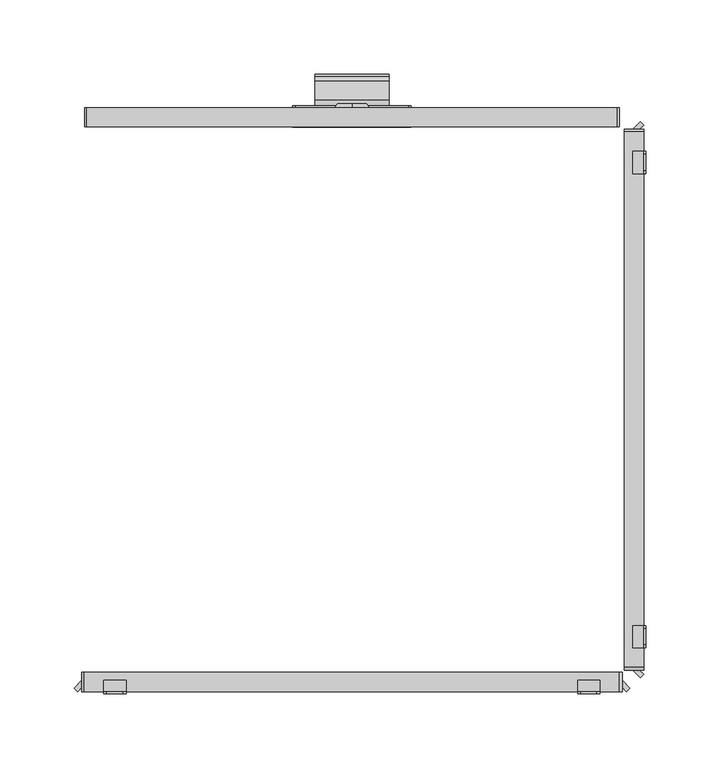
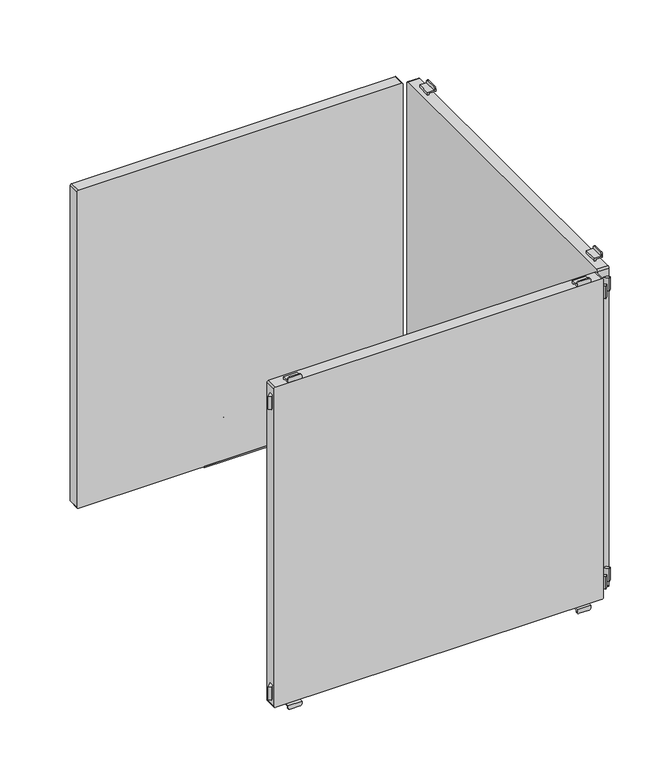
"""IFC4 building model written with IfcOpenShell, lengths in millimetres: furniture geometry."""

from ifc_helpers import new_model, si_unit, point, frame, frame_2d, origin, place, context, project, spatial, polyline, circle_curve, trimmed, segment, composite_curve, outline, extrude, source, transform, mapped, element, save
from ifc_brep_helpers import plane_surface, cylinder_surface, revolved_surface, advanced_brep


def furniture_5d2fb851(model_context):
    return source(origin(), model_context, "Body", "SolidModel", [
        extrude(outline(composite_curve([segment(trimmed(circle_curve(frame_2d((202.226909, 486.4886922)), 43.9399623), [point((202.226909, 530.4286545))], [point((215.0082179, 528.5286545))], False, "CARTESIAN"), True, "CONTINUOUS"), segment(trimmed(circle_curve(frame_2d((212.0259096, 518.7193203)), 10.252668), [point((215.0082179, 528.5286545))], [point((218.0910053, 526.9856263))], False, "CARTESIAN"), True, "CONTINUOUS"), segment(trimmed(circle_curve(frame_2d((215.7726745, 523.8259018)), 3.9189943), [point((218.0910053, 526.9856263))], [point((213.1407662, 520.9221843))], False, "CARTESIAN"), True, "CONTINUOUS"), segment(trimmed(circle_curve(frame_2d((202.2269079, 508.8812021)), 16.2510786), [point((213.1407662, 520.9221843))], [point((202.2269079, 525.1322806))], True, "CARTESIAN"), True, "CONTINUOUS"), segment(polyline([(202.2269079, 525.1322806), (198.5, 525.1322806), (198.5, 527.0322806), (202.2269079, 527.0322806)]), True, "CONTINUOUS"), segment(trimmed(circle_curve(frame_2d((202.2269079, 508.8812021)), 18.1510786), [point((202.2269079, 527.0322806))], [point((214.4167634, 522.3299595))], False, "CARTESIAN"), True, "CONTINUOUS"), segment(trimmed(circle_curve(frame_2d((215.7726745, 523.8259018)), 2.0189943), [point((214.4167634, 522.3299595))], [point((216.9670362, 525.4537341))], True, "CARTESIAN"), True, "CONTINUOUS"), segment(trimmed(circle_curve(frame_2d((212.0259096, 518.7193203)), 8.352668), [point((216.9670362, 525.4537341))], [point((214.4555436, 526.710812))], True, "CARTESIAN"), True, "CONTINUOUS"), segment(trimmed(circle_curve(frame_2d((202.226909, 486.4886922)), 42.0399623), [point((214.4555436, 526.710812))], [point((202.226909, 528.5286545))], True, "CARTESIAN"), True, "CONTINUOUS"), segment(polyline([(202.226909, 528.5286545), (198.5, 528.5286545), (198.5, 530.4286545), (202.226909, 530.4286545)]), True, "CONTINUOUS")], self_intersect=False)), frame((-25.0, 0.0, 0.0), z_axis=(1.0, 0.0, 0.0), x_axis=(0.0, 1.0, 0.0)), (0.0, 0.0, 1.0), 50.0),
        advanced_brep(
        [(0.0, 199.7, 556.6837841), (0.0, 199.7, 546.740973), (0.0, 199.7, 566.6265951), (0.0, 197.0, 544.8059292), (0.0, 197.0, 556.6837841), (0.0, 197.0, 568.5616389)],
        [
            (0, 1),
            (1, 2, circle_curve(frame((0.0, 199.7, 556.6837841), z_axis=(0.0, 1.0, 0.0), x_axis=(0.0, 0.0, 1.0)), 9.9428111)),
            (2, 0),
            (2, 1, circle_curve(frame((0.0, 199.7, 556.6837841), z_axis=(0.0, 1.0, 0.0), x_axis=(0.0, 0.0, 1.0)), 9.9428111)),
            (3, 4),
            (4, 5),
            (5, 3, circle_curve(frame((0.0, 197.0, 556.6837841), z_axis=(0.0, -1.0, 0.0), x_axis=(0.0, 0.0, 1.0)), 11.8778548)),
            (3, 5, circle_curve(frame((0.0, 197.0, 556.6837841), z_axis=(0.0, -1.0, 0.0), x_axis=(0.0, 0.0, 1.0)), 11.8778548)),
            (1, 3),
            (5, 2),
        ],
        [
            plane_surface(frame((0.0, 199.7, 556.6837841), z_axis=(0.0, 1.0, 0.0), x_axis=(0.0, 0.0, 1.0))),
            plane_surface(frame((0.0, 197.0, 556.6837841), z_axis=(0.0, -1.0, 0.0), x_axis=(0.0, 0.0, 1.0))),
            revolved_surface(polyline([(0.0, 197.0, 568.5616389), (0.0, 199.7, 566.6265951)]), (0.0, 202.2563621, 556.6837841), (0.0, 1.0, 0.0)),
        ],
        [
            (0, [[1, 2, 3]]),
            (0, [[-3, 4, -1]]),
            (1, [[5, 6, 7]]),
            (1, [[-6, -5, 8]]),
            (2, [[9, -7, 10, -2]]),
            (2, [[-10, -8, -9, -4]]),
        ],
    ),
        advanced_brep(
        [(38.2, 198.5, 535.0), (40.0, 198.5, 533.2), (40.0, 198.5, 522.0), (-40.0, 198.5, 522.0), (-40.0, 198.5, 533.2), (-38.2, 198.5, 535.0), (38.2, 197.0, 535.0), (-38.2, 197.0, 535.0), (-40.0, 197.0, 533.2), (-40.0, 197.0, 521.5), (40.0, 197.0, 521.5), (40.0, 197.0, 533.2), (-40.0, 196.5, 520.0), (-40.0, 184.0, 520.0), (-40.0, 184.0, 521.5), (40.0, 184.0, 521.5), (40.0, 184.0, 520.0), (40.0, 196.5, 520.0)],
        [
            (0, 1, circle_curve(frame((38.2, 198.5, 533.2), z_axis=(0.0, 1.0, 0.0), x_axis=(1.0, 0.0, 0.0)), 1.8)),
            (1, 2),
            (2, 3),
            (3, 4),
            (4, 5, circle_curve(frame((-38.2, 198.5, 533.2), z_axis=(0.0, 1.0, 0.0), x_axis=(1.0, 0.0, 0.0)), 1.8)),
            (5, 0),
            (6, 7),
            (7, 8, circle_curve(frame((-38.2, 197.0, 533.2), z_axis=(0.0, -1.0, 0.0), x_axis=(1.0, 0.0, 0.0)), 1.8)),
            (8, 9),
            (9, 10),
            (10, 11),
            (11, 6, circle_curve(frame((38.2, 197.0, 533.2), z_axis=(0.0, -1.0, 0.0), x_axis=(1.0, 0.0, 0.0)), 1.8)),
            (5, 7),
            (6, 0),
            (4, 8),
            (3, 12, circle_curve(frame((-40.0, 196.5, 522.0), z_axis=(-1.0, 0.0, 0.0), x_axis=(0.0, -1.0, 0.0)), 2.0)),
            (12, 13),
            (13, 14),
            (14, 9),
            (1, 11),
            (10, 15),
            (15, 16),
            (16, 17),
            (17, 2, circle_curve(frame((40.0, 196.5, 522.0), z_axis=(1.0, 0.0, 0.0), x_axis=(0.0, -1.0, 0.0)), 2.0)),
            (16, 13),
            (12, 17),
            (15, 14),
        ],
        [
            plane_surface(frame((-40.0, 198.5, 535.0), z_axis=(0.0, 1.0, 0.0), x_axis=(-1.0, 0.0, 0.0))),
            plane_surface(frame((-40.0, 197.0, 535.0), z_axis=(0.0, -1.0, 0.0), x_axis=(1.0, 0.0, 0.0))),
            plane_surface(frame((38.2, 198.5, 535.0), z_axis=(0.0, 0.0, 1.0), x_axis=(0.0, -1.0, 0.0))),
            cylinder_surface(frame((-38.2, 197.0, 533.2), z_axis=(0.0, 1.0, 0.0), x_axis=(1.0, 0.0, 0.0)), 1.8),
            plane_surface(frame((-40.0, 198.5, 533.2), z_axis=(-1.0, 0.0, 0.0), x_axis=(0.0, -1.0, 0.0))),
            plane_surface(frame((40.0, 198.5, 524.5), z_axis=(1.0, 0.0, 0.0), x_axis=(0.0, -1.0, 0.0))),
            cylinder_surface(frame((38.2, 197.0, 533.2), z_axis=(0.0, 1.0, 0.0), x_axis=(1.0, 0.0, 0.0)), 1.8),
            plane_surface(frame((40.0, 196.5, 520.0), z_axis=(0.0, 0.0, -1.0), x_axis=(-1.0, 0.0, 0.0))),
            plane_surface(frame((40.0, 184.0, 520.0), z_axis=(0.0, -1.0, 0.0), x_axis=(-1.0, 0.0, 0.0))),
            plane_surface(frame((40.0, 184.0, 521.5), z_axis=(0.0, 0.0, 1.0), x_axis=(-1.0, 0.0, 0.0))),
            cylinder_surface(frame((-40.0, 196.5, 522.0), z_axis=(1.0, 0.0, 0.0), x_axis=(0.0, -1.0, 0.0)), 2.0),
        ],
        [
            (0, [[1, 2, 3, 4, 5, 6]]),
            (1, [[7, 8, 9, 10, 11, 12]]),
            (2, [[13, -7, 14, -6]]),
            (3, [[15, -8, -13, -5]]),
            (4, [[16, 17, 18, 19, -9, -15, -4]]),
            (5, [[20, -11, 21, 22, 23, 24, -2]]),
            (6, [[-14, -12, -20, -1]]),
            (7, [[25, -17, 26, -23]]),
            (8, [[27, -18, -25, -22]]),
            (9, [[-10, -19, -27, -21]]),
            (10, [[-26, -16, -3, -24]]),
        ],
    ),
        extrude(outline(composite_curve([segment(polyline([(893.5, 179.0), (893.5, -179.0)]), True, "CONTINUOUS"), segment(trimmed(circle_curve(frame_2d((892.0, -179.0)), 1.5), [point((893.5, -179.0))], [point((892.0, -180.5))], False, "CARTESIAN"), True, "CONTINUOUS"), segment(polyline([(892.0, -180.5), (523.0, -180.5)]), True, "CONTINUOUS"), segment(trimmed(circle_curve(frame_2d((523.0, -179.0)), 1.5), [point((523.0, -180.5))], [point((521.5, -179.0))], False, "CARTESIAN"), True, "CONTINUOUS"), segment(polyline([(521.5, -179.0), (521.5, 179.0)]), True, "CONTINUOUS"), segment(trimmed(circle_curve(frame_2d((523.0, 179.0)), 1.5), [point((521.5, 179.0))], [point((523.0, 180.5))], False, "CARTESIAN"), True, "CONTINUOUS"), segment(polyline([(523.0, 180.5), (892.0, 180.5)]), True, "CONTINUOUS"), segment(trimmed(circle_curve(frame_2d((892.0, 179.0)), 1.5), [point((892.0, 180.5))], [point((893.5, 179.0))], False, "CARTESIAN"), True, "CONTINUOUS")], self_intersect=False)), frame((0.0, 184.0, 0.0), z_axis=(0.0, 1.0, 0.0), x_axis=(0.0, 0.0, 1.0)), (0.0, 0.0, 1.0), 13.0),
        advanced_brep(
        [(152.5, -197.0, 515.5), (152.5, -197.0, 517.0), (167.5, -197.0, 517.0), (167.5, -197.0, 515.5), (165.5, -197.0, 513.5), (154.5, -197.0, 513.5), (152.5, -198.5, 518.5), (152.5, -198.5, 515.5), (154.5, -198.5, 513.5), (165.5, -198.5, 513.5), (167.5, -198.5, 515.5), (167.5, -198.5, 518.5), (152.5, -191.0011497, 518.5), (152.5, -191.0011497, 520.0), (152.5, -189.5011497, 520.0), (152.5, -189.5011497, 517.0), (167.5, -189.5011497, 517.0), (167.5, -189.5011497, 520.0), (167.5, -191.0011497, 520.0), (167.5, -191.0011497, 518.5)],
        [
            (0, 1),
            (1, 2),
            (2, 3),
            (3, 4, circle_curve(frame((165.5, -197.0, 515.5), z_axis=(0.0, 1.0, 0.0), x_axis=(1.0, 0.0, 0.0)), 2.0)),
            (4, 5),
            (5, 0, circle_curve(frame((154.5, -197.0, 515.5), z_axis=(0.0, 1.0, 0.0), x_axis=(1.0, 0.0, 0.0)), 2.0)),
            (6, 7),
            (7, 8, circle_curve(frame((154.5, -198.5, 515.5), z_axis=(0.0, -1.0, 0.0), x_axis=(1.0, 0.0, 0.0)), 2.0)),
            (8, 9),
            (9, 10, circle_curve(frame((165.5, -198.5, 515.5), z_axis=(0.0, -1.0, 0.0), x_axis=(1.0, 0.0, 0.0)), 2.0)),
            (10, 11),
            (11, 6),
            (6, 12),
            (12, 13),
            (13, 14),
            (14, 15),
            (15, 1),
            (0, 7),
            (5, 8),
            (4, 9),
            (3, 10),
            (2, 16),
            (16, 17),
            (17, 18),
            (18, 19),
            (19, 11),
            (19, 12),
            (14, 17),
            (16, 15),
            (13, 18),
        ],
        [
            plane_surface(frame((152.5, -197.0, 517.0), z_axis=(0.0, 1.0, 0.0), x_axis=(0.0, 0.0, -1.0))),
            plane_surface(frame((152.5, -198.5, 517.0), z_axis=(0.0, -1.0, 0.0), x_axis=(0.0, 0.0, 1.0))),
            plane_surface(frame((152.5, -197.0, 518.5), z_axis=(-1.0, 0.0, 0.0), x_axis=(0.0, -1.0, 0.0))),
            cylinder_surface(frame((154.5, -198.5, 515.5), z_axis=(0.0, 1.0, 0.0), x_axis=(1.0, 0.0, 0.0)), 2.0),
            plane_surface(frame((154.5, -197.0, 513.5), z_axis=(0.0, 0.0, -1.0), x_axis=(0.0, -1.0, 0.0))),
            cylinder_surface(frame((165.5, -198.5, 515.5), z_axis=(0.0, 1.0, 0.0), x_axis=(1.0, 0.0, 0.0)), 2.0),
            plane_surface(frame((167.5, -197.0, 515.5), z_axis=(1.0, 0.0, 0.0), x_axis=(0.0, -1.0, 0.0))),
            plane_surface(frame((167.5, -197.0, 518.5), z_axis=(0.0, 0.0, 1.0), x_axis=(0.0, -1.0, 0.0))),
            plane_surface(frame((152.5, -189.5011497, 517.0), z_axis=(0.0, 1.0, 0.0), x_axis=(1.0, 0.0, 0.0))),
            plane_surface(frame((152.5, -189.5011497, 520.0), z_axis=(0.0, 0.0, 1.0), x_axis=(1.0, 0.0, 0.0))),
            plane_surface(frame((152.5, -191.0011497, 520.0), z_axis=(0.0, -1.0, 0.0), x_axis=(1.0, 0.0, 0.0))),
            plane_surface(frame((152.5, -197.0, 517.0), z_axis=(0.0, 0.0, -1.0), x_axis=(1.0, 0.0, 0.0))),
        ],
        [
            (0, [[1, 2, 3, 4, 5, 6]]),
            (1, [[7, 8, 9, 10, 11, 12]]),
            (2, [[13, 14, 15, 16, 17, -1, 18, -7]]),
            (3, [[19, -8, -18, -6]]),
            (4, [[20, -9, -19, -5]]),
            (5, [[21, -10, -20, -4]]),
            (6, [[-21, -3, 22, 23, 24, 25, 26, -11]]),
            (7, [[27, -13, -12, -26]]),
            (8, [[28, -23, 29, -16]]),
            (9, [[30, -24, -28, -15]]),
            (10, [[-27, -25, -30, -14]]),
            (11, [[-29, -22, -2, -17]]),
        ],
    ),
        advanced_brep(
        [(-167.5, -197.0, 515.5), (-167.5, -197.0, 517.0), (-152.5, -197.0, 517.0), (-152.5, -197.0, 515.5), (-154.5, -197.0, 513.5), (-165.5, -197.0, 513.5), (-152.5, -198.5, 518.5), (-167.5, -198.5, 518.5), (-167.5, -198.5, 515.5), (-165.5, -198.5, 513.5), (-154.5, -198.5, 513.5), (-152.5, -198.5, 515.5), (-152.5, -191.0011497, 518.5), (-167.5, -191.0011497, 518.5), (-167.5, -191.0011497, 520.0), (-167.5, -189.5011497, 520.0), (-167.5, -189.5011497, 517.0), (-152.5, -189.5011497, 517.0), (-152.5, -189.5011497, 520.0), (-152.5, -191.0011497, 520.0)],
        [
            (0, 1),
            (1, 2),
            (2, 3),
            (3, 4, circle_curve(frame((-154.5, -197.0, 515.5), z_axis=(0.0, 1.0, 0.0), x_axis=(1.0, 0.0, 0.0)), 2.0)),
            (4, 5),
            (5, 0, circle_curve(frame((-165.5, -197.0, 515.5), z_axis=(0.0, 1.0, 0.0), x_axis=(1.0, 0.0, 0.0)), 2.0)),
            (6, 7),
            (7, 8),
            (8, 9, circle_curve(frame((-165.5, -198.5, 515.5), z_axis=(0.0, -1.0, 0.0), x_axis=(1.0, 0.0, 0.0)), 2.0)),
            (9, 10),
            (10, 11, circle_curve(frame((-154.5, -198.5, 515.5), z_axis=(0.0, -1.0, 0.0), x_axis=(1.0, 0.0, 0.0)), 2.0)),
            (11, 6),
            (6, 12),
            (12, 13),
            (13, 7),
            (13, 14),
            (14, 15),
            (15, 16),
            (16, 1),
            (0, 8),
            (5, 9),
            (4, 10),
            (3, 11),
            (2, 17),
            (17, 18),
            (18, 19),
            (19, 12),
            (17, 16),
            (15, 18),
            (14, 19),
        ],
        [
            plane_surface(frame((152.5, -197.0, 517.0), z_axis=(0.0, 1.0, 0.0), x_axis=(0.0, 0.0, -1.0))),
            plane_surface(frame((152.5, -198.5, 517.0), z_axis=(0.0, -1.0, 0.0), x_axis=(0.0, 0.0, 1.0))),
            plane_surface(frame((-152.5, -197.0, 518.5), z_axis=(0.0, 0.0, 1.0), x_axis=(0.0, -1.0, 0.0))),
            plane_surface(frame((-167.5, -197.0, 518.5), z_axis=(-1.0, 0.0, 0.0), x_axis=(0.0, -1.0, 0.0))),
            cylinder_surface(frame((-165.5, -200.0, 515.5), z_axis=(0.0, 1.0, 0.0), x_axis=(1.0, 0.0, 0.0)), 2.0),
            plane_surface(frame((-165.5, -197.0, 513.5), z_axis=(0.0, 0.0, -1.0), x_axis=(0.0, -1.0, 0.0))),
            cylinder_surface(frame((-154.5, -200.0, 515.5), z_axis=(0.0, 1.0, 0.0), x_axis=(1.0, 0.0, 0.0)), 2.0),
            plane_surface(frame((-152.5, -197.0, 515.5), z_axis=(1.0, 0.0, 0.0), x_axis=(0.0, -1.0, 0.0))),
            plane_surface(frame((-152.5, -189.5011497, 520.0), z_axis=(0.0, 1.0, 0.0), x_axis=(-1.0, 0.0, 0.0))),
            plane_surface(frame((-152.5, -191.0011497, 520.0), z_axis=(0.0, 0.0, 1.0), x_axis=(-1.0, 0.0, 0.0))),
            plane_surface(frame((-152.5, -191.0011497, 518.5), z_axis=(0.0, -1.0, 0.0), x_axis=(-1.0, 0.0, 0.0))),
            plane_surface(frame((-152.5, -189.5011497, 517.0), z_axis=(0.0, 0.0, -1.0), x_axis=(-1.0, 0.0, 0.0))),
        ],
        [
            (0, [[1, 2, 3, 4, 5, 6]]),
            (1, [[7, 8, 9, 10, 11, 12]]),
            (2, [[13, 14, 15, -7]]),
            (3, [[-15, 16, 17, 18, 19, -1, 20, -8]]),
            (4, [[21, -9, -20, -6]]),
            (5, [[22, -10, -21, -5]]),
            (6, [[23, -11, -22, -4]]),
            (7, [[-23, -3, 24, 25, 26, 27, -13, -12]]),
            (8, [[28, -18, 29, -25]]),
            (9, [[-29, -17, 30, -26]]),
            (10, [[-30, -16, -14, -27]]),
            (11, [[-2, -19, -28, -24]]),
        ],
    ),
        advanced_brep(
        [(167.5, -197.0, 899.5), (167.5, -197.0, 898.0), (152.5, -197.0, 898.0), (152.5, -197.0, 899.5), (154.5, -197.0, 901.5), (165.5, -197.0, 901.5), (152.5, -198.5, 896.5), (167.5, -198.5, 896.5), (167.5, -198.5, 899.5), (165.5, -198.5, 901.5), (154.5, -198.5, 901.5), (152.5, -198.5, 899.5), (152.5, -189.5011497, 898.0), (152.5, -189.5011497, 895.0), (152.5, -191.0011497, 895.0), (152.5, -191.0011497, 896.5), (167.5, -189.5011497, 898.0), (167.5, -191.0011497, 896.5), (167.5, -191.0011497, 895.0), (167.5, -189.5011497, 895.0)],
        [
            (0, 1),
            (1, 2),
            (2, 3),
            (3, 4, circle_curve(frame((154.5, -197.0, 899.5), z_axis=(0.0, 1.0, 0.0), x_axis=(1.0, 0.0, 0.0)), 2.0)),
            (4, 5),
            (5, 0, circle_curve(frame((165.5, -197.0, 899.5), z_axis=(0.0, 1.0, 0.0), x_axis=(1.0, 0.0, 0.0)), 2.0)),
            (6, 7),
            (7, 8),
            (8, 9, circle_curve(frame((165.5, -198.5, 899.5), z_axis=(0.0, -1.0, 0.0), x_axis=(1.0, 0.0, 0.0)), 2.0)),
            (9, 10),
            (10, 11, circle_curve(frame((154.5, -198.5, 899.5), z_axis=(0.0, -1.0, 0.0), x_axis=(1.0, 0.0, 0.0)), 2.0)),
            (11, 6),
            (12, 13),
            (13, 14),
            (14, 15),
            (15, 6),
            (11, 3),
            (2, 12),
            (16, 1),
            (0, 8),
            (7, 17),
            (17, 18),
            (18, 19),
            (19, 16),
            (15, 17),
            (5, 9),
            (4, 10),
            (16, 12),
            (14, 18),
            (13, 19),
        ],
        [
            plane_surface(frame((152.5, -197.0, 517.0), z_axis=(0.0, 1.0, 0.0), x_axis=(0.0, 0.0, -1.0))),
            plane_surface(frame((152.5, -198.5, 517.0), z_axis=(0.0, -1.0, 0.0), x_axis=(0.0, 0.0, 1.0))),
            plane_surface(frame((152.5, -197.0, 518.5), z_axis=(-1.0, 0.0, 0.0), x_axis=(0.0, -1.0, 0.0))),
            plane_surface(frame((167.5, -197.0, 515.5), z_axis=(1.0, 0.0, 0.0), x_axis=(0.0, -1.0, 0.0))),
            plane_surface(frame((152.5, -197.0, 896.5), z_axis=(0.0, 0.0, -1.0), x_axis=(0.0, -1.0, 0.0))),
            cylinder_surface(frame((165.5, -200.0, 899.5), z_axis=(0.0, 1.0, 0.0), x_axis=(1.0, 0.0, 0.0)), 2.0),
            plane_surface(frame((165.5, -197.0, 901.5), z_axis=(0.0, 0.0, 1.0), x_axis=(0.0, -1.0, 0.0))),
            cylinder_surface(frame((154.5, -200.0, 899.5), z_axis=(0.0, 1.0, 0.0), x_axis=(1.0, 0.0, 0.0)), 2.0),
            plane_surface(frame((152.5, -189.5011497, 898.0), z_axis=(0.0, 0.0, 1.0), x_axis=(1.0, 0.0, 0.0))),
            plane_surface(frame((152.5, -191.0011497, 896.5), z_axis=(0.0, -1.0, 0.0), x_axis=(1.0, 0.0, 0.0))),
            plane_surface(frame((152.5, -191.0011497, 895.0), z_axis=(0.0, 0.0, -1.0), x_axis=(1.0, 0.0, 0.0))),
            plane_surface(frame((152.5, -189.5011497, 895.0), z_axis=(0.0, 1.0, 0.0), x_axis=(1.0, 0.0, 0.0))),
        ],
        [
            (0, [[1, 2, 3, 4, 5, 6]]),
            (1, [[7, 8, 9, 10, 11, 12]]),
            (2, [[13, 14, 15, 16, -12, 17, -3, 18]]),
            (3, [[19, -1, 20, -8, 21, 22, 23, 24]]),
            (4, [[25, -21, -7, -16]]),
            (5, [[26, -9, -20, -6]]),
            (6, [[27, -10, -26, -5]]),
            (7, [[-17, -11, -27, -4]]),
            (8, [[-2, -19, 28, -18]]),
            (9, [[29, -22, -25, -15]]),
            (10, [[30, -23, -29, -14]]),
            (11, [[-28, -24, -30, -13]]),
        ],
    ),
        advanced_brep(
        [(-152.5, -197.0, 899.5), (-152.5, -197.0, 898.0), (-167.5, -197.0, 898.0), (-167.5, -197.0, 899.5), (-165.5, -197.0, 901.5), (-154.5, -197.0, 901.5), (-152.5, -198.5, 896.5), (-152.5, -198.5, 899.5), (-154.5, -198.5, 901.5), (-165.5, -198.5, 901.5), (-167.5, -198.5, 899.5), (-167.5, -198.5, 896.5), (-167.5, -189.5011497, 898.0), (-167.5, -189.5011497, 895.0), (-167.5, -191.0011497, 895.0), (-167.5, -191.0011497, 896.5), (-152.5, -191.0011497, 896.5), (-152.5, -191.0011497, 895.0), (-152.5, -189.5011497, 895.0), (-152.5, -189.5011497, 898.0)],
        [
            (0, 1),
            (1, 2),
            (2, 3),
            (3, 4, circle_curve(frame((-165.5, -197.0, 899.5), z_axis=(0.0, 1.0, 0.0), x_axis=(1.0, 0.0, 0.0)), 2.0)),
            (4, 5),
            (5, 0, circle_curve(frame((-154.5, -197.0, 899.5), z_axis=(0.0, 1.0, 0.0), x_axis=(1.0, 0.0, 0.0)), 2.0)),
            (6, 7),
            (7, 8, circle_curve(frame((-154.5, -198.5, 899.5), z_axis=(0.0, -1.0, 0.0), x_axis=(1.0, 0.0, 0.0)), 2.0)),
            (8, 9),
            (9, 10, circle_curve(frame((-165.5, -198.5, 899.5), z_axis=(0.0, -1.0, 0.0), x_axis=(1.0, 0.0, 0.0)), 2.0)),
            (10, 11),
            (11, 6),
            (10, 3),
            (2, 12),
            (12, 13),
            (13, 14),
            (14, 15),
            (15, 11),
            (6, 16),
            (16, 17),
            (17, 18),
            (18, 19),
            (19, 1),
            (0, 7),
            (5, 8),
            (4, 9),
            (15, 16),
            (19, 12),
            (14, 17),
            (13, 18),
        ],
        [
            plane_surface(frame((152.5, -197.0, 517.0), z_axis=(0.0, 1.0, 0.0), x_axis=(0.0, 0.0, -1.0))),
            plane_surface(frame((152.5, -198.5, 517.0), z_axis=(0.0, -1.0, 0.0), x_axis=(0.0, 0.0, 1.0))),
            plane_surface(frame((-167.5, -197.0, 518.5), z_axis=(-1.0, 0.0, 0.0), x_axis=(0.0, -1.0, 0.0))),
            plane_surface(frame((-152.5, -197.0, 515.5), z_axis=(1.0, 0.0, 0.0), x_axis=(0.0, -1.0, 0.0))),
            cylinder_surface(frame((-154.5, -200.0, 899.5), z_axis=(0.0, 1.0, 0.0), x_axis=(1.0, 0.0, 0.0)), 2.0),
            plane_surface(frame((-154.5, -197.0, 901.5), z_axis=(0.0, 0.0, 1.0), x_axis=(0.0, -1.0, 0.0))),
            cylinder_surface(frame((-165.5, -200.0, 899.5), z_axis=(0.0, 1.0, 0.0), x_axis=(1.0, 0.0, 0.0)), 2.0),
            plane_surface(frame((-167.5, -197.0, 896.5), z_axis=(0.0, 0.0, -1.0), x_axis=(0.0, -1.0, 0.0))),
            plane_surface(frame((-152.5, -197.0, 898.0), z_axis=(0.0, 0.0, 1.0), x_axis=(-1.0, 0.0, 0.0))),
            plane_surface(frame((-152.5, -191.0011497, 895.0), z_axis=(0.0, -1.0, 0.0), x_axis=(-1.0, 0.0, 0.0))),
            plane_surface(frame((-152.5, -189.5011497, 895.0), z_axis=(0.0, 0.0, -1.0), x_axis=(-1.0, 0.0, 0.0))),
            plane_surface(frame((-152.5, -189.5011497, 898.0), z_axis=(0.0, 1.0, 0.0), x_axis=(-1.0, 0.0, 0.0))),
        ],
        [
            (0, [[1, 2, 3, 4, 5, 6]]),
            (1, [[7, 8, 9, 10, 11, 12]]),
            (2, [[13, -3, 14, 15, 16, 17, 18, -11]]),
            (3, [[19, 20, 21, 22, 23, -1, 24, -7]]),
            (4, [[25, -8, -24, -6]]),
            (5, [[26, -9, -25, -5]]),
            (6, [[-13, -10, -26, -4]]),
            (7, [[-18, 27, -19, -12]]),
            (8, [[28, -14, -2, -23]]),
            (9, [[-27, -17, 29, -20]]),
            (10, [[-29, -16, 30, -21]]),
            (11, [[-30, -15, -28, -22]]),
        ],
    ),
        extrude(outline(polyline([(-185.3223305, -197.0), (-187.6605904, -194.6617401), (-182.5, -189.5011497), (-182.5, -194.1776695), (-185.3223305, -197.0)])), frame((0.0, 0.0, 530.0), z_axis=(0.0, 0.0, 1.0), x_axis=(1.0, 0.0, 0.0)), (0.0, 0.0, 1.0), 15.0),
        extrude(outline(polyline([(185.3223305, -197.0), (182.5, -194.1776695), (182.5, -189.5011497), (187.6605904, -194.6617401), (185.3223305, -197.0)])), frame((0.0, 0.0, 530.0), z_axis=(0.0, 0.0, 1.0), x_axis=(1.0, 0.0, 0.0)), (0.0, 0.0, 1.0), 15.0),
        extrude(outline(composite_curve([segment(trimmed(circle_curve(frame_2d((893.2, 180.7)), 1.8), [point((893.2, 182.5))], [point((895.0, 180.7))], False, "CARTESIAN"), True, "CONTINUOUS"), segment(polyline([(895.0, 180.7), (895.0, -180.7)]), True, "CONTINUOUS"), segment(trimmed(circle_curve(frame_2d((893.2, -180.7)), 1.8), [point((895.0, -180.7))], [point((893.2, -182.5))], False, "CARTESIAN"), True, "CONTINUOUS"), segment(polyline([(893.2, -182.5), (521.8, -182.5)]), True, "CONTINUOUS"), segment(trimmed(circle_curve(frame_2d((521.8, -180.7)), 1.8), [point((521.8, -182.5))], [point((520.0, -180.7))], False, "CARTESIAN"), True, "CONTINUOUS"), segment(polyline([(520.0, -180.7), (520.0, 180.7)]), True, "CONTINUOUS"), segment(trimmed(circle_curve(frame_2d((521.8, 180.7)), 1.8), [point((520.0, 180.7))], [point((521.8, 182.5))], False, "CARTESIAN"), True, "CONTINUOUS"), segment(polyline([(521.8, 182.5), (893.2, 182.5)]), True, "CONTINUOUS")], self_intersect=False)), frame((0.0, -197.0, 0.0), z_axis=(0.0, 1.0, 0.0), x_axis=(0.0, 0.0, 1.0)), (0.0, 0.0, 1.0), 13.000205),
        extrude(outline(polyline([(-185.3223305, -197.0), (-187.6605904, -194.6617401), (-182.5, -189.5011497), (-182.5, -194.1776695), (-185.3223305, -197.0)])), frame((0.0, 0.0, 870.0), z_axis=(0.0, 0.0, 1.0), x_axis=(1.0, 0.0, 0.0)), (0.0, 0.0, 1.0), 15.0),
        extrude(outline(polyline([(185.3223305, -197.0), (182.5, -194.1776695), (182.5, -189.5011497), (187.6605904, -194.6617401), (185.3223305, -197.0)])), frame((0.0, 0.0, 870.0), z_axis=(0.0, 0.0, 1.0), x_axis=(1.0, 0.0, 0.0)), (0.0, 0.0, 1.0), 15.0),
        advanced_brep(
        [(197.0, -152.5, 515.5), (197.0, -154.5, 513.5), (197.0, -165.5, 513.5), (197.0, -167.5, 515.5), (197.0, -167.5, 517.0), (197.0, -152.5, 517.0), (198.5, -152.5, 518.5), (198.5, -167.5, 518.5), (198.5, -167.5, 515.5), (198.5, -165.5, 513.5), (198.5, -154.5, 513.5), (198.5, -152.5, 515.5), (189.5011497, -152.5, 517.0), (189.5011497, -152.5, 520.0), (191.0011497, -152.5, 520.0), (191.0011497, -152.5, 518.5), (191.0011497, -167.5, 518.5), (191.0011497, -167.5, 520.0), (189.5011497, -167.5, 520.0), (189.5011497, -167.5, 517.0)],
        [
            (0, 1, circle_curve(frame((197.0, -154.5, 515.5), z_axis=(-1.0, 0.0, 0.0), x_axis=(0.0, -1.0, 0.0)), 2.0)),
            (1, 2),
            (2, 3, circle_curve(frame((197.0, -165.5, 515.5), z_axis=(-1.0, 0.0, 0.0), x_axis=(0.0, -1.0, 0.0)), 2.0)),
            (3, 4),
            (4, 5),
            (5, 0),
            (6, 7),
            (7, 8),
            (8, 9, circle_curve(frame((198.5, -165.5, 515.5), z_axis=(1.0, 0.0, 0.0), x_axis=(0.0, -1.0, 0.0)), 2.0)),
            (9, 10),
            (10, 11, circle_curve(frame((198.5, -154.5, 515.5), z_axis=(1.0, 0.0, 0.0), x_axis=(0.0, -1.0, 0.0)), 2.0)),
            (11, 6),
            (11, 0),
            (5, 12),
            (12, 13),
            (13, 14),
            (14, 15),
            (15, 6),
            (10, 1),
            (9, 2),
            (8, 3),
            (7, 16),
            (16, 17),
            (17, 18),
            (18, 19),
            (19, 4),
            (15, 16),
            (12, 19),
            (18, 13),
            (17, 14),
        ],
        [
            plane_surface(frame((197.0, -152.5, 517.0), z_axis=(-1.0, 0.0, 0.0), x_axis=(0.0, 0.0, -1.0))),
            plane_surface(frame((198.5, -152.5, 517.0), z_axis=(1.0, 0.0, 0.0), x_axis=(0.0, 0.0, 1.0))),
            plane_surface(frame((197.0, -152.5, 518.5), z_axis=(0.0, 1.0, 0.0), x_axis=(1.0, 0.0, 0.0))),
            cylinder_surface(frame((198.5, -154.5, 515.5), z_axis=(-1.0, 0.0, 0.0), x_axis=(0.0, -1.0, 0.0)), 2.0),
            plane_surface(frame((197.0, -154.5, 513.5), z_axis=(0.0, 0.0, -1.0), x_axis=(1.0, 0.0, 0.0))),
            cylinder_surface(frame((198.5, -165.5, 515.5), z_axis=(-1.0, 0.0, 0.0), x_axis=(0.0, -1.0, 0.0)), 2.0),
            plane_surface(frame((197.0, -167.5, 515.5), z_axis=(0.0, -1.0, 0.0), x_axis=(1.0, 0.0, 0.0))),
            plane_surface(frame((197.0, -167.5, 518.5), z_axis=(0.0, 0.0, 1.0), x_axis=(1.0, 0.0, 0.0))),
            plane_surface(frame((189.5011497, -152.5, 517.0), z_axis=(-1.0, 0.0, 0.0), x_axis=(0.0, -1.0, 0.0))),
            plane_surface(frame((189.5011497, -152.5, 520.0), z_axis=(0.0, 0.0, 1.0), x_axis=(0.0, -1.0, 0.0))),
            plane_surface(frame((191.0011497, -152.5, 520.0), z_axis=(1.0, 0.0, 0.0), x_axis=(0.0, -1.0, 0.0))),
            plane_surface(frame((197.0, -152.5, 517.0), z_axis=(0.0, 0.0, -1.0), x_axis=(0.0, -1.0, 0.0))),
        ],
        [
            (0, [[1, 2, 3, 4, 5, 6]]),
            (1, [[7, 8, 9, 10, 11, 12]]),
            (2, [[-12, 13, -6, 14, 15, 16, 17, 18]]),
            (3, [[-1, -13, -11, 19]]),
            (4, [[-2, -19, -10, 20]]),
            (5, [[-3, -20, -9, 21]]),
            (6, [[-8, 22, 23, 24, 25, 26, -4, -21]]),
            (7, [[-22, -7, -18, 27]]),
            (8, [[-15, 28, -25, 29]]),
            (9, [[-16, -29, -24, 30]]),
            (10, [[-17, -30, -23, -27]]),
            (11, [[-14, -5, -26, -28]]),
        ],
    ),
        advanced_brep(
        [(197.0, 167.5, 515.5), (197.0, 165.5, 513.5), (197.0, 154.5, 513.5), (197.0, 152.5, 515.5), (197.0, 152.5, 517.0), (197.0, 167.5, 517.0), (198.5, 152.5, 518.5), (198.5, 152.5, 515.5), (198.5, 154.5, 513.5), (198.5, 165.5, 513.5), (198.5, 167.5, 515.5), (198.5, 167.5, 518.5), (191.0011497, 167.5, 518.5), (191.0011497, 152.5, 518.5), (189.5011497, 167.5, 517.0), (189.5011497, 167.5, 520.0), (191.0011497, 167.5, 520.0), (191.0011497, 152.5, 520.0), (189.5011497, 152.5, 520.0), (189.5011497, 152.5, 517.0)],
        [
            (0, 1, circle_curve(frame((197.0, 165.5, 515.5), z_axis=(-1.0, 0.0, 0.0), x_axis=(0.0, -1.0, 0.0)), 2.0)),
            (1, 2),
            (2, 3, circle_curve(frame((197.0, 154.5, 515.5), z_axis=(-1.0, 0.0, 0.0), x_axis=(0.0, -1.0, 0.0)), 2.0)),
            (3, 4),
            (4, 5),
            (5, 0),
            (6, 7),
            (7, 8, circle_curve(frame((198.5, 154.5, 515.5), z_axis=(1.0, 0.0, 0.0), x_axis=(0.0, -1.0, 0.0)), 2.0)),
            (8, 9),
            (9, 10, circle_curve(frame((198.5, 165.5, 515.5), z_axis=(1.0, 0.0, 0.0), x_axis=(0.0, -1.0, 0.0)), 2.0)),
            (10, 11),
            (11, 6),
            (11, 12),
            (12, 13),
            (13, 6),
            (10, 0),
            (5, 14),
            (14, 15),
            (15, 16),
            (16, 12),
            (9, 1),
            (8, 2),
            (7, 3),
            (13, 17),
            (17, 18),
            (18, 19),
            (19, 4),
            (18, 15),
            (14, 19),
            (17, 16),
        ],
        [
            plane_surface(frame((197.0, -152.5, 517.0), z_axis=(-1.0, 0.0, 0.0), x_axis=(0.0, 0.0, -1.0))),
            plane_surface(frame((198.5, -152.5, 517.0), z_axis=(1.0, 0.0, 0.0), x_axis=(0.0, 0.0, 1.0))),
            plane_surface(frame((197.0, 152.5, 518.5), z_axis=(0.0, 0.0, 1.0), x_axis=(1.0, 0.0, 0.0))),
            plane_surface(frame((197.0, 167.5, 518.5), z_axis=(0.0, 1.0, 0.0), x_axis=(1.0, 0.0, 0.0))),
            cylinder_surface(frame((200.0, 165.5, 515.5), z_axis=(-1.0, 0.0, 0.0), x_axis=(0.0, -1.0, 0.0)), 2.0),
            plane_surface(frame((197.0, 165.5, 513.5), z_axis=(0.0, 0.0, -1.0), x_axis=(1.0, 0.0, 0.0))),
            cylinder_surface(frame((200.0, 154.5, 515.5), z_axis=(-1.0, 0.0, 0.0), x_axis=(0.0, -1.0, 0.0)), 2.0),
            plane_surface(frame((197.0, 152.5, 515.5), z_axis=(0.0, -1.0, 0.0), x_axis=(1.0, 0.0, 0.0))),
            plane_surface(frame((189.5011497, 152.5, 520.0), z_axis=(-1.0, 0.0, 0.0), x_axis=(0.0, 1.0, 0.0))),
            plane_surface(frame((191.0011497, 152.5, 520.0), z_axis=(0.0, 0.0, 1.0), x_axis=(0.0, 1.0, 0.0))),
            plane_surface(frame((191.0011497, 152.5, 518.5), z_axis=(1.0, 0.0, 0.0), x_axis=(0.0, 1.0, 0.0))),
            plane_surface(frame((189.5011497, 152.5, 517.0), z_axis=(0.0, 0.0, -1.0), x_axis=(0.0, 1.0, 0.0))),
        ],
        [
            (0, [[1, 2, 3, 4, 5, 6]]),
            (1, [[7, 8, 9, 10, 11, 12]]),
            (2, [[-12, 13, 14, 15]]),
            (3, [[-11, 16, -6, 17, 18, 19, 20, -13]]),
            (4, [[-1, -16, -10, 21]]),
            (5, [[-2, -21, -9, 22]]),
            (6, [[-3, -22, -8, 23]]),
            (7, [[-7, -15, 24, 25, 26, 27, -4, -23]]),
            (8, [[-26, 28, -18, 29]]),
            (9, [[-25, 30, -19, -28]]),
            (10, [[-24, -14, -20, -30]]),
            (11, [[-27, -29, -17, -5]]),
        ],
    ),
        advanced_brep(
        [(197.0, -167.5, 899.5), (197.0, -165.5, 901.5), (197.0, -154.5, 901.5), (197.0, -152.5, 899.5), (197.0, -152.5, 898.0), (197.0, -167.5, 898.0), (198.5, -152.5, 896.5), (198.5, -152.5, 899.5), (198.5, -154.5, 901.5), (198.5, -165.5, 901.5), (198.5, -167.5, 899.5), (198.5, -167.5, 896.5), (189.5011497, -152.5, 898.0), (191.0011497, -152.5, 896.5), (191.0011497, -152.5, 895.0), (189.5011497, -152.5, 895.0), (189.5011497, -167.5, 898.0), (189.5011497, -167.5, 895.0), (191.0011497, -167.5, 895.0), (191.0011497, -167.5, 896.5)],
        [
            (0, 1, circle_curve(frame((197.0, -165.5, 899.5), z_axis=(-1.0, 0.0, 0.0), x_axis=(0.0, -1.0, 0.0)), 2.0)),
            (1, 2),
            (2, 3, circle_curve(frame((197.0, -154.5, 899.5), z_axis=(-1.0, 0.0, 0.0), x_axis=(0.0, -1.0, 0.0)), 2.0)),
            (3, 4),
            (4, 5),
            (5, 0),
            (6, 7),
            (7, 8, circle_curve(frame((198.5, -154.5, 899.5), z_axis=(1.0, 0.0, 0.0), x_axis=(0.0, -1.0, 0.0)), 2.0)),
            (8, 9),
            (9, 10, circle_curve(frame((198.5, -165.5, 899.5), z_axis=(1.0, 0.0, 0.0), x_axis=(0.0, -1.0, 0.0)), 2.0)),
            (10, 11),
            (11, 6),
            (12, 4),
            (3, 7),
            (6, 13),
            (13, 14),
            (14, 15),
            (15, 12),
            (16, 17),
            (17, 18),
            (18, 19),
            (19, 11),
            (10, 0),
            (5, 16),
            (19, 13),
            (9, 1),
            (8, 2),
            (12, 16),
            (18, 14),
            (17, 15),
        ],
        [
            plane_surface(frame((197.0, -152.5, 517.0), z_axis=(-1.0, 0.0, 0.0), x_axis=(0.0, 0.0, -1.0))),
            plane_surface(frame((198.5, -152.5, 517.0), z_axis=(1.0, 0.0, 0.0), x_axis=(0.0, 0.0, 1.0))),
            plane_surface(frame((197.0, -152.5, 518.5), z_axis=(0.0, 1.0, 0.0), x_axis=(1.0, 0.0, 0.0))),
            plane_surface(frame((197.0, -167.5, 515.5), z_axis=(0.0, -1.0, 0.0), x_axis=(1.0, 0.0, 0.0))),
            plane_surface(frame((197.0, -152.5, 896.5), z_axis=(0.0, 0.0, -1.0), x_axis=(1.0, 0.0, 0.0))),
            cylinder_surface(frame((200.0, -165.5, 899.5), z_axis=(-1.0, 0.0, 0.0), x_axis=(0.0, -1.0, 0.0)), 2.0),
            plane_surface(frame((197.0, -165.5, 901.5), z_axis=(0.0, 0.0, 1.0), x_axis=(1.0, 0.0, 0.0))),
            cylinder_surface(frame((200.0, -154.5, 899.5), z_axis=(-1.0, 0.0, 0.0), x_axis=(0.0, -1.0, 0.0)), 2.0),
            plane_surface(frame((189.5011497, -152.5, 898.0), z_axis=(0.0, 0.0, 1.0), x_axis=(0.0, -1.0, 0.0))),
            plane_surface(frame((191.0011497, -152.5, 896.5), z_axis=(1.0, 0.0, 0.0), x_axis=(0.0, -1.0, 0.0))),
            plane_surface(frame((191.0011497, -152.5, 895.0), z_axis=(0.0, 0.0, -1.0), x_axis=(0.0, -1.0, 0.0))),
            plane_surface(frame((189.5011497, -152.5, 895.0), z_axis=(-1.0, 0.0, 0.0), x_axis=(0.0, -1.0, 0.0))),
        ],
        [
            (0, [[1, 2, 3, 4, 5, 6]]),
            (1, [[7, 8, 9, 10, 11, 12]]),
            (2, [[13, -4, 14, -7, 15, 16, 17, 18]]),
            (3, [[19, 20, 21, 22, -11, 23, -6, 24]]),
            (4, [[-15, -12, -22, 25]]),
            (5, [[-1, -23, -10, 26]]),
            (6, [[-2, -26, -9, 27]]),
            (7, [[-3, -27, -8, -14]]),
            (8, [[-13, 28, -24, -5]]),
            (9, [[-16, -25, -21, 29]]),
            (10, [[-17, -29, -20, 30]]),
            (11, [[-18, -30, -19, -28]]),
        ],
    ),
        advanced_brep(
        [(197.0, 152.5, 899.5), (197.0, 154.5, 901.5), (197.0, 165.5, 901.5), (197.0, 167.5, 899.5), (197.0, 167.5, 898.0), (197.0, 152.5, 898.0), (198.5, 152.5, 896.5), (198.5, 167.5, 896.5), (198.5, 167.5, 899.5), (198.5, 165.5, 901.5), (198.5, 154.5, 901.5), (198.5, 152.5, 899.5), (191.0011497, 167.5, 896.5), (191.0011497, 167.5, 895.0), (189.5011497, 167.5, 895.0), (189.5011497, 167.5, 898.0), (189.5011497, 152.5, 898.0), (189.5011497, 152.5, 895.0), (191.0011497, 152.5, 895.0), (191.0011497, 152.5, 896.5)],
        [
            (0, 1, circle_curve(frame((197.0, 154.5, 899.5), z_axis=(-1.0, 0.0, 0.0), x_axis=(0.0, -1.0, 0.0)), 2.0)),
            (1, 2),
            (2, 3, circle_curve(frame((197.0, 165.5, 899.5), z_axis=(-1.0, 0.0, 0.0), x_axis=(0.0, -1.0, 0.0)), 2.0)),
            (3, 4),
            (4, 5),
            (5, 0),
            (6, 7),
            (7, 8),
            (8, 9, circle_curve(frame((198.5, 165.5, 899.5), z_axis=(1.0, 0.0, 0.0), x_axis=(0.0, -1.0, 0.0)), 2.0)),
            (9, 10),
            (10, 11, circle_curve(frame((198.5, 154.5, 899.5), z_axis=(1.0, 0.0, 0.0), x_axis=(0.0, -1.0, 0.0)), 2.0)),
            (11, 6),
            (7, 12),
            (12, 13),
            (13, 14),
            (14, 15),
            (15, 4),
            (3, 8),
            (11, 0),
            (5, 16),
            (16, 17),
            (17, 18),
            (18, 19),
            (19, 6),
            (10, 1),
            (9, 2),
            (19, 12),
            (15, 16),
            (18, 13),
            (17, 14),
        ],
        [
            plane_surface(frame((197.0, -152.5, 517.0), z_axis=(-1.0, 0.0, 0.0), x_axis=(0.0, 0.0, -1.0))),
            plane_surface(frame((198.5, -152.5, 517.0), z_axis=(1.0, 0.0, 0.0), x_axis=(0.0, 0.0, 1.0))),
            plane_surface(frame((197.0, 167.5, 518.5), z_axis=(0.0, 1.0, 0.0), x_axis=(1.0, 0.0, 0.0))),
            plane_surface(frame((197.0, 152.5, 515.5), z_axis=(0.0, -1.0, 0.0), x_axis=(1.0, 0.0, 0.0))),
            cylinder_surface(frame((200.0, 154.5, 899.5), z_axis=(-1.0, 0.0, 0.0), x_axis=(0.0, -1.0, 0.0)), 2.0),
            plane_surface(frame((197.0, 154.5, 901.5), z_axis=(0.0, 0.0, 1.0), x_axis=(1.0, 0.0, 0.0))),
            cylinder_surface(frame((200.0, 165.5, 899.5), z_axis=(-1.0, 0.0, 0.0), x_axis=(0.0, -1.0, 0.0)), 2.0),
            plane_surface(frame((197.0, 167.5, 896.5), z_axis=(0.0, 0.0, -1.0), x_axis=(1.0, 0.0, 0.0))),
            plane_surface(frame((197.0, 152.5, 898.0), z_axis=(0.0, 0.0, 1.0), x_axis=(0.0, 1.0, 0.0))),
            plane_surface(frame((191.0011497, 152.5, 895.0), z_axis=(1.0, 0.0, 0.0), x_axis=(0.0, 1.0, 0.0))),
            plane_surface(frame((189.5011497, 152.5, 895.0), z_axis=(0.0, 0.0, -1.0), x_axis=(0.0, 1.0, 0.0))),
            plane_surface(frame((189.5011497, 152.5, 898.0), z_axis=(-1.0, 0.0, 0.0), x_axis=(0.0, 1.0, 0.0))),
        ],
        [
            (0, [[1, 2, 3, 4, 5, 6]]),
            (1, [[7, 8, 9, 10, 11, 12]]),
            (2, [[-8, 13, 14, 15, 16, 17, -4, 18]]),
            (3, [[-12, 19, -6, 20, 21, 22, 23, 24]]),
            (4, [[-1, -19, -11, 25]]),
            (5, [[-2, -25, -10, 26]]),
            (6, [[-3, -26, -9, -18]]),
            (7, [[-7, -24, 27, -13]]),
            (8, [[-20, -5, -17, 28]]),
            (9, [[-23, 29, -14, -27]]),
            (10, [[-22, 30, -15, -29]]),
            (11, [[-21, -28, -16, -30]]),
        ],
    ),
        extrude(outline(polyline([(197.0, -185.3223305), (194.6617401, -187.6605904), (189.5011497, -182.5), (194.1776695, -182.5), (197.0, -185.3223305)])), frame((0.0, 0.0, 530.0), z_axis=(0.0, 0.0, 1.0), x_axis=(1.0, 0.0, 0.0)), (0.0, 0.0, 1.0), 15.0),
        extrude(outline(polyline([(197.0, 185.3223305), (194.1776695, 182.5), (189.5011497, 182.5), (194.6617401, 187.6605904), (197.0, 185.3223305)])), frame((0.0, 0.0, 530.0), z_axis=(0.0, 0.0, 1.0), x_axis=(1.0, 0.0, 0.0)), (0.0, 0.0, 1.0), 15.0),
        extrude(outline(composite_curve([segment(trimmed(circle_curve(frame_2d((-180.7, 893.2)), 1.8), [point((-182.5, 893.2))], [point((-180.7, 895.0))], False, "CARTESIAN"), True, "CONTINUOUS"), segment(polyline([(-180.7, 895.0), (180.7, 895.0)]), True, "CONTINUOUS"), segment(trimmed(circle_curve(frame_2d((180.7, 893.2)), 1.8), [point((180.7, 895.0))], [point((182.5, 893.2))], False, "CARTESIAN"), True, "CONTINUOUS"), segment(polyline([(182.5, 893.2), (182.5, 521.8)]), True, "CONTINUOUS"), segment(trimmed(circle_curve(frame_2d((180.7, 521.8)), 1.8), [point((182.5, 521.8))], [point((180.7, 520.0))], False, "CARTESIAN"), True, "CONTINUOUS"), segment(polyline([(180.7, 520.0), (-180.7, 520.0)]), True, "CONTINUOUS"), segment(trimmed(circle_curve(frame_2d((-180.7, 521.8)), 1.8), [point((-180.7, 520.0))], [point((-182.5, 521.8))], False, "CARTESIAN"), True, "CONTINUOUS"), segment(polyline([(-182.5, 521.8), (-182.5, 893.2)]), True, "CONTINUOUS")], self_intersect=False)), frame((183.999795, 0.0, 0.0), z_axis=(1.0, 0.0, 0.0), x_axis=(0.0, 1.0, 0.0)), (0.0, 0.0, 1.0), 13.000205),
        extrude(outline(polyline([(197.0, -185.3223305), (194.6617401, -187.6605904), (189.5011497, -182.5), (194.1776695, -182.5), (197.0, -185.3223305)])), frame((0.0, 0.0, 870.0), z_axis=(0.0, 0.0, 1.0), x_axis=(1.0, 0.0, 0.0)), (0.0, 0.0, 1.0), 15.0),
        extrude(outline(polyline([(197.0, 185.3223305), (194.1776695, 182.5), (189.5011497, 182.5), (194.6617401, 187.6605904), (197.0, 185.3223305)])), frame((0.0, 0.0, 870.0), z_axis=(0.0, 0.0, 1.0), x_axis=(1.0, 0.0, 0.0)), (0.0, 0.0, 1.0), 15.0),
    ])


if __name__ == "__main__":
    model = new_model("IFC4")
    model_context = context("Model", 3, world=origin())
    ifc_project = project(units=[si_unit("LENGTHUNIT", "METRE", prefix="MILLI")], contexts=[model_context])
    site = spatial("IfcSite", under=ifc_project)
    building = spatial("IfcBuilding", under=site)
    placement = place(None, origin())
    furniture_shape = furniture_5d2fb851(model_context)
    element("IfcFurniture", 1, at=placement, inside=building, context=model_context, shape_type="MappedRepresentation", body=[
        mapped(furniture_shape, transform((0.0, 0.0, 0.0), x_axis=(1.0, 0.0, 0.0), y_axis=(0.0, 1.0, 0.0), z_axis=(0.0, 0.0, 1.0))),
    ])
    save(model, "model.ifc")
